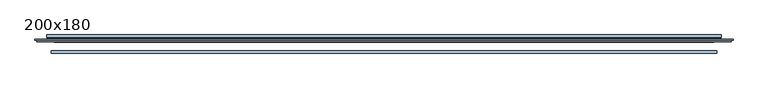
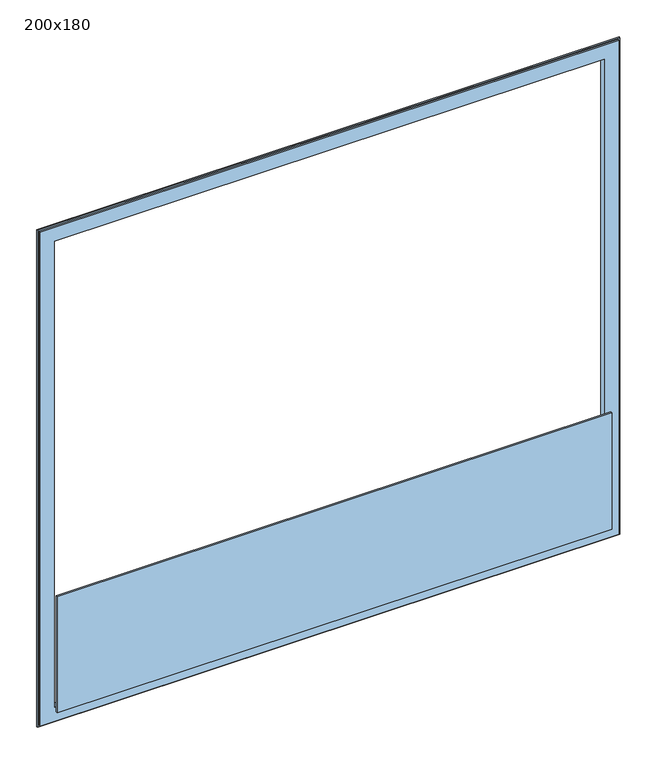
"""IFC4 building model written with IfcOpenShell, lengths in millimetres: window geometry, 200x180."""

from ifc_helpers import new_model, si_unit, frame, origin, place, context, project, spatial, polyline, outline, extrude, faceted_brep, source, transform, mapped, element, save


def window_200x180_8c67da85(model_context):
    return source(origin(), model_context, "Body", "SolidModel", [
        faceted_brep([(965.85, 106.25, 729.0), (965.85, 106.25, 2412.0), (965.85, 126.4, 2412.0), (965.85, 126.4, 729.0), (1016.5502862, 110.5, 678.2997138), (1016.5502862, 110.5, 2462.7002862), (1016.5502862, 106.25, 2462.7002862), (1016.5502862, 106.25, 678.2997138), (1021.35, 114.1, 673.5), (1021.35, 114.1, 2467.5), (1021.35, 110.5, 2467.5), (1021.35, 110.5, 673.5), (986.35, 117.0431112, 708.5), (986.35, 117.0431112, 2432.5), (986.35, 114.1, 2432.5), (986.35, 114.1, 708.5), (986.95, 117.9, 707.9), (986.95, 117.9, 2433.1), (986.95, 126.4, 707.9), (986.95, 126.4, 2433.1), (-913.45, 106.25, 2412.0), (-913.45, 126.4, 2412.0), (-964.1502862, 110.5, 2462.7002862), (-964.1502862, 106.25, 2462.7002862), (-968.95, 114.1, 2467.5), (-968.95, 110.5, 2467.5), (-933.95, 117.0431112, 2432.5), (-933.95, 114.1, 2432.5), (-934.55, 117.9, 2433.1), (-934.55, 126.4, 2433.1), (-913.45, 106.25, 729.0), (-913.45, 126.4, 729.0), (-964.1502862, 110.5, 678.2997138), (-964.1502862, 106.25, 678.2997138), (-968.95, 114.1, 673.5), (-968.95, 110.5, 673.5), (-933.95, 117.0431112, 708.5), (-933.95, 114.1, 708.5), (-934.55, 117.9, 707.9), (-934.55, 126.4, 707.9)], [[[0, 1, 2, 3]], [[4, 5, 6, 7]], [[8, 9, 10, 11]], [[12, 13, 14, 15]], [[16, 17, 13, 12]], [[18, 19, 17, 16]], [[1, 20, 21, 2]], [[5, 22, 23, 6]], [[9, 24, 25, 10]], [[13, 26, 27, 14]], [[17, 28, 26, 13]], [[19, 29, 28, 17]], [[20, 30, 31, 21]], [[22, 32, 33, 23]], [[24, 34, 35, 25]], [[26, 36, 37, 27]], [[28, 38, 36, 26]], [[29, 39, 38, 28]], [[19, 18, 39, 29], [3, 2, 21, 31]], [[30, 0, 3, 31]], [[7, 6, 23, 33], [1, 0, 30, 20]], [[32, 4, 7, 33]], [[11, 10, 25, 35], [5, 4, 32, 22]], [[34, 8, 11, 35]], [[9, 8, 34, 24], [15, 14, 27, 37]], [[36, 12, 15, 37]], [[38, 16, 12, 36]], [[39, 18, 16, 38]]]),
        extrude(outline(polyline([(974.8118757, 75.0500001), (-922.4118757, 75.0500001), (-922.4118757, 81.0500001), (974.8118757, 81.0500001), (974.8118757, 75.0500001)])), frame((0.0, 0.0, 729.8026988), z_axis=(0.0, 0.0, 1.0), x_axis=(1.0, 0.0, 0.0)), (0.0, 0.0, 1.0), 419.7473012),
    ])


if __name__ == "__main__":
    model = new_model("IFC4")
    model_context = context("Model", 3, world=origin())
    ifc_project = project(units=[si_unit("LENGTHUNIT", "METRE", prefix="MILLI")], contexts=[model_context])
    site = spatial("IfcSite", under=ifc_project)
    building = spatial("IfcBuilding", under=site)
    placement = place(None, origin())
    window_200x180_shape = window_200x180_8c67da85(model_context)
    element("IfcWindow", 1, ObjectType="200x180", at=placement, inside=building, context=model_context, shape_type="MappedRepresentation", body=[
        mapped(window_200x180_shape, transform((0.0, 0.0, 0.0), x_axis=(1.0, 0.0, 0.0), y_axis=(0.0, 1.0, 0.0), z_axis=(0.0, 0.0, 1.0))),
    ])
    save(model, "model.ifc")
